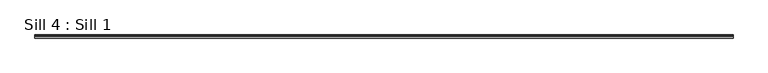
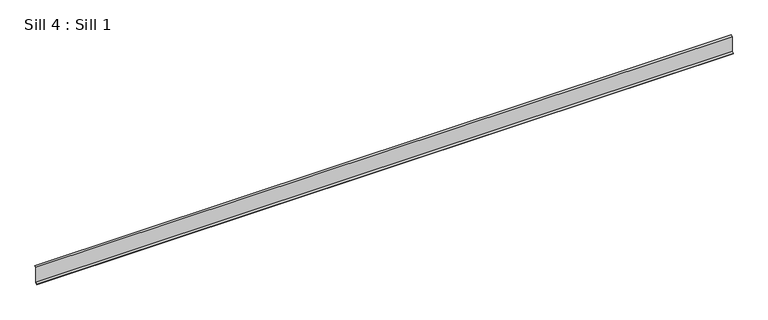
"""IFC4 building model written with IfcOpenShell, lengths in millimetres: proxy geometry, Sill 4 : Sill 1."""

import ifcopenshell
import ifcopenshell.guid

model = None  # the IFC model being written
_history = None  # IfcOwnerHistory: only IFC2X3 demands one
_inside = {}  # id of a spatial element -> (the spatial element, [elements in it])
_under = {}  # id of a project, library or spatial element -> (it, [spatial elements below it])
_declared = {}  # id of a project -> (the project, [libraries it declares])
_typed = {}  # id of a type object -> (the type object, [elements of that type])
_made_of = {}  # id of a material, layer set ... -> (it, [elements and type objects made of it])


def new_model(schema):
    """Start an empty IFC model of exactly this schema.

    Asked for "IFC4X3", IfcOpenShell would pick the latest addendum, in which some entities
    have other attributes; the version numbers below select the first issue.
    IFC2X3 requires an IfcOwnerHistory on every rooted entity: one is made here for all.
    """
    global model, _history
    if schema == "IFC4X3":
        model = ifcopenshell.file(schema_version=(4, 3, 0, 0))
    else:
        model = ifcopenshell.file(schema=schema)
    _inside.clear()
    _under.clear()
    _declared.clear()
    _typed.clear()
    _made_of.clear()
    _history = None
    if model.schema == "IFC2X3":
        org = make("IfcOrganization", Name="unknown")
        user = make(
            "IfcPersonAndOrganization",
            ThePerson=make("IfcPerson", FamilyName="unknown"),
            TheOrganization=org,
        )
        app = make(
            "IfcApplication",
            ApplicationDeveloper=org,
            Version="unknown",
            ApplicationFullName="unknown",
            ApplicationIdentifier="unknown",
        )
        _history = make(
            "IfcOwnerHistory",
            OwningUser=user,
            OwningApplication=app,
            ChangeAction="ADDED",
            CreationDate=0,
        )
    return model


def make(cls, **values):
    """One entity of the class cls with the attributes given. An attribute that is None is left unset."""
    return model.create_entity(
        cls, **{name: value for name, value in values.items() if value is not None}
    )


def rooted(cls, **values):
    """An entity with a GlobalId (a new one), such as an element, a storey or a relation."""
    return make(cls, GlobalId=ifcopenshell.guid.new(), OwnerHistory=_history, **values)


def si_unit(unit_type, name, prefix=None):
    """IfcSIUnit, for example si_unit("LENGTHUNIT", "METRE", prefix="MILLI")."""
    return make("IfcSIUnit", UnitType=unit_type, Prefix=prefix, Name=name)


def assignment(units):
    """IfcUnitAssignment: the units of a project."""
    return None if units is None else make("IfcUnitAssignment", Units=units)


def point(xyz):
    """IfcCartesianPoint."""
    return None if xyz is None else make("IfcCartesianPoint", Coordinates=xyz)


def direction(xyz):
    """IfcDirection."""
    return None if xyz is None else make("IfcDirection", DirectionRatios=xyz)


def frame(location, z_axis=None, x_axis=None):
    """IfcAxis2Placement3D, a coordinate frame: its origin and axes. An axis left out is left unset."""
    return make(
        "IfcAxis2Placement3D",
        Location=point(location),
        Axis=direction(z_axis),
        RefDirection=direction(x_axis),
    )


def origin():
    """The frame at (0, 0, 0) with its axes left unset."""
    return frame((0.0, 0.0, 0.0))


def place(relative_to, where):
    """IfcLocalPlacement: puts the frame where relative to a parent placement (None: the world)."""
    return make(
        "IfcLocalPlacement", PlacementRelTo=relative_to, RelativePlacement=where
    )


def context(
    kind, dimensions, precision=None, world=None, true_north=None, identifier=None
):
    """IfcGeometricRepresentationContext, for example the 3D "Model" context."""
    return make(
        "IfcGeometricRepresentationContext",
        ContextIdentifier=identifier,
        ContextType=kind,
        CoordinateSpaceDimension=dimensions,
        Precision=precision,
        WorldCoordinateSystem=world,
        TrueNorth=true_north,
    )


def project(units=None, contexts=None):
    """IfcProject with its units and contexts."""
    return rooted(
        "IfcProject",
        Name="project",
        RepresentationContexts=contexts,
        UnitsInContext=assignment(units),
    )


def spatial(cls, under=None, at=None, **own):
    """A site, building, storey or space (cls), placed at a placement, below another one or the project."""
    s = rooted(cls, ObjectPlacement=at, **own)
    if under is not None:
        _under.setdefault(under.id(), (under, []))[1].append(s)
    return s


def polyline(points):
    """IfcPolyline through the points."""
    return make("IfcPolyline", Points=[point(p) for p in points])


def outline(outer, holes=None, kind="AREA"):
    """IfcArbitraryClosedProfileDef: a profile drawn as a closed curve; with holes, ...WithVoids."""
    if holes is None:
        return make("IfcArbitraryClosedProfileDef", ProfileType=kind, OuterCurve=outer)
    return make(
        "IfcArbitraryProfileDefWithVoids",
        ProfileType=kind,
        OuterCurve=outer,
        InnerCurves=holes,
    )


def extrude(swept, where, along, depth):
    """IfcExtrudedAreaSolid: the profile swept, set in the frame where, extruded along a direction by depth."""
    return make(
        "IfcExtrudedAreaSolid",
        SweptArea=swept,
        Position=where,
        ExtrudedDirection=direction(along),
        Depth=depth,
    )


def shape(context_of_items, identifier, shape_type, items):
    """IfcShapeRepresentation: the items that make up one representation, for example the "Body"."""
    return make(
        "IfcShapeRepresentation",
        ContextOfItems=context_of_items,
        RepresentationIdentifier=identifier,
        RepresentationType=shape_type,
        Items=items,
    )


def source(mapping_origin, context_of_items, identifier, shape_type, items):
    """IfcRepresentationMap: a shape defined once, which mapped items show again and again."""
    return make(
        "IfcRepresentationMap",
        MappingOrigin=mapping_origin,
        MappedRepresentation=shape(context_of_items, identifier, shape_type, items),
    )


def transform(
    local_origin,
    x_axis=None,
    y_axis=None,
    z_axis=None,
    scale=None,
    scale2=None,
    scale3=None,
    uniform=True,
):
    """IfcCartesianTransformationOperator3D, or its non-uniform kind. x_axis, y_axis, z_axis: its Axis1, 2, 3."""
    if uniform:
        return make(
            "IfcCartesianTransformationOperator3D",
            Axis1=direction(x_axis),
            Axis2=direction(y_axis),
            LocalOrigin=point(local_origin),
            Scale=scale,
            Axis3=direction(z_axis),
        )
    return make(
        "IfcCartesianTransformationOperator3DnonUniform",
        Axis1=direction(x_axis),
        Axis2=direction(y_axis),
        LocalOrigin=point(local_origin),
        Scale=scale,
        Axis3=direction(z_axis),
        Scale2=scale2,
        Scale3=scale3,
    )


def mapped(mapping_source, mapping_target):
    """IfcMappedItem: shows the shape of a source again, moved by a transform."""
    return make(
        "IfcMappedItem", MappingSource=mapping_source, MappingTarget=mapping_target
    )


def made_of(thing, what):
    """Note that an element or type object is made of a material, layer set ...; save() writes the relation."""
    if what is not None:
        _made_of.setdefault(what.id(), (what, []))[1].append(thing)
    return thing


def element(
    cls,
    number,
    at=None,
    inside=None,
    cuts=None,
    type_object=None,
    material=None,
    context=None,
    identifier="Body",
    shape_type=None,
    held_by="IfcProductDefinitionShape",
    body=None,
    shapes=None,
    **own,
):
    """One element of the class cls, such as IfcWall. Its Tag is "e" and its number.

    at: its placement. inside: the storey or other place that contains it. cuts: it is an
    opening in that element (IfcRelVoidsElement). A single representation is given by context,
    identifier, shape_type and body (its items); several are given by shapes. held_by: the class
    of the entity that holds the representations. save() writes the other relations.
    """
    e = rooted(cls, Tag="e%d" % number, ObjectPlacement=at, **own)
    if body is not None:
        shapes = [shape(context, identifier, shape_type, body)]
    if shapes is not None:
        e.Representation = make(held_by, Representations=shapes)
    if inside is not None:
        _inside.setdefault(inside.id(), (inside, []))[1].append(e)
    if cuts is not None:
        rooted(
            "IfcRelVoidsElement", RelatingBuildingElement=cuts, RelatedOpeningElement=e
        )
    if type_object is not None:
        _typed.setdefault(type_object.id(), (type_object, []))[1].append(e)
    return made_of(e, material)


def aggregate(whole, parts):
    """IfcRelAggregates: a whole, such as a stair, and the parts it consists of."""
    return rooted("IfcRelAggregates", RelatingObject=whole, RelatedObjects=parts)


def save(model, path):
    """Write the relations noted so far, then the file.

    IfcRelAggregates (storeys below a building ...), IfcRelContainedInSpatialStructure (elements
    in a storey), IfcRelDefinesByType, IfcRelAssociatesMaterial and IfcRelDeclares: one each for
    every whole, place, type object, material and project.
    """
    for whole, parts in _under.values():
        aggregate(whole, parts)
    for where, things in _inside.values():
        rooted(
            "IfcRelContainedInSpatialStructure",
            RelatedElements=things,
            RelatingStructure=where,
        )
    for kind, things in _typed.values():
        rooted("IfcRelDefinesByType", RelatedObjects=things, RelatingType=kind)
    for what, things in _made_of.values():
        rooted("IfcRelAssociatesMaterial", RelatedObjects=things, RelatingMaterial=what)
    for by, libraries in _declared.values():
        rooted("IfcRelDeclares", RelatingContext=by, RelatedDefinitions=libraries)
    model.write(path)


def sill_4_sill_1_ec411731(model_context):
    return source(origin(), model_context, "Body", "SweptSolid", [
        extrude(outline(polyline([(-22476.7140236, -197.090089), (-22485.6975629, -206.0736283), (-22486.8197074, -204.9514838), (-22478.3036622, -196.4354386), (-22478.3036622, -111.6046387), (-22470.5546358, -107.1295957), (-22469.7696743, -108.4888424), (-22476.7140236, -112.4991864), (-22476.7140236, -197.090089)])), frame((8296.6166837, 0.0, 0.0), z_axis=(1.0, 0.0, 0.0), x_axis=(0.0, 1.0, 0.0)), (0.0, 0.0, 1.0), 3755.7374649),
    ])


if __name__ == "__main__":
    model = new_model("IFC4")
    model_context = context("Model", 3, world=origin())
    ifc_project = project(units=[si_unit("LENGTHUNIT", "METRE", prefix="MILLI")], contexts=[model_context])
    site = spatial("IfcSite", under=ifc_project)
    building = spatial("IfcBuilding", under=site)
    placement = place(None, origin())
    sill_4_sill_1_shape = sill_4_sill_1_ec411731(model_context)
    element("IfcBuildingElementProxy", 1, Name="Sill 4 : Sill 1", ObjectType="Sill 4 : Sill 1", at=placement, inside=building, context=model_context, shape_type="MappedRepresentation", body=[
        mapped(sill_4_sill_1_shape, transform((0.0, 0.0, 0.0), x_axis=(1.0, 0.0, 0.0), y_axis=(0.0, 1.0, 0.0), z_axis=(0.0, 0.0, 1.0))),
    ])
    save(model, "model.ifc")
